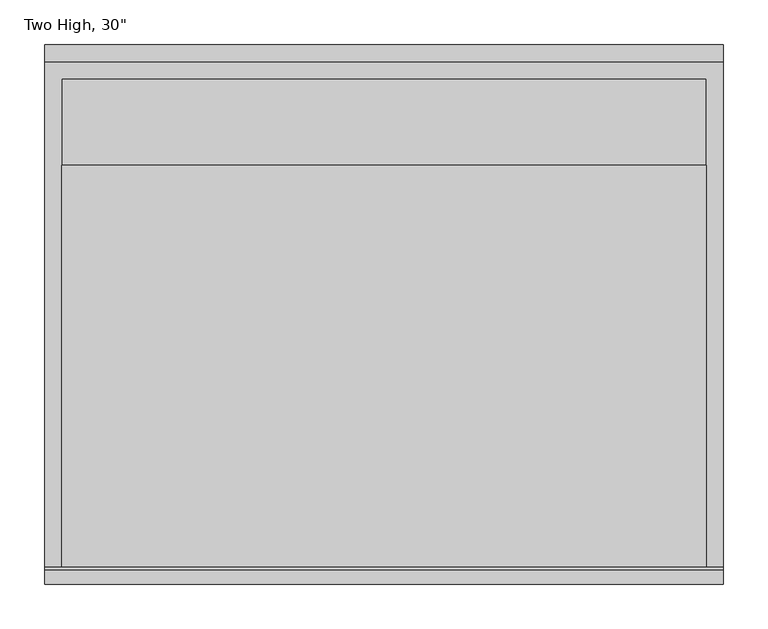
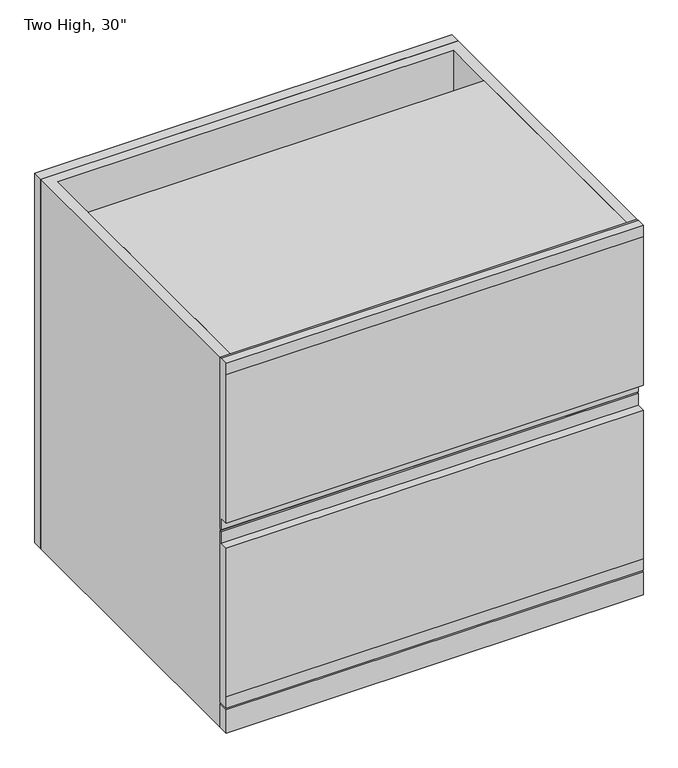
"""IFC4 building model written with IfcOpenShell, lengths in millimetres: furniture geometry."""

from ifc_helpers import new_model, si_unit, frame, origin, origin_with_axes, place, context, project, spatial, polyline, outline, extrude, source, transform, mapped, element, save


def furniture_a944151f(model_context):
    return source(origin(), model_context, "Body", "SweptSolid", [
        extrude(outline(polyline([(-669.925, 711.2), (-666.75, 711.2), (-666.75, 381.0), (-669.925, 381.0), (-669.925, 403.225), (-685.8, 403.225), (-685.8, 688.975), (-685.8, 711.2), (-669.925, 711.2)])), frame((-300.0375, 0.0, 0.0), z_axis=(1.0, 0.0, 0.0), x_axis=(0.0, 1.0, 0.0)), (0.0, 0.0, 1.0), 758.825),
        extrude(outline(polyline([(-669.925, 377.825), (-666.75, 377.825), (-666.75, 47.625), (-669.925, 47.625), (-685.8, 47.625), (-685.8, 69.85), (-685.8, 355.6), (-669.925, 355.6), (-669.925, 377.825)])), frame((-300.0375, 0.0, 0.0), z_axis=(1.0, 0.0, 0.0), x_axis=(0.0, 1.0, 0.0)), (0.0, 0.0, 1.0), 758.825),
        extrude(outline(polyline([(439.7375, -101.6), (439.7375, -666.75), (-280.9875, -666.75), (-280.9875, -101.6), (439.7375, -101.6)])), origin_with_axes(), (0.0, 0.0, 1.0), 44.45),
        extrude(outline(polyline([(439.7375, -217.4875), (439.7375, -666.75), (-280.9875, -666.75), (-280.9875, -217.4875), (439.7375, -217.4875)])), frame((0.0, 0.0, 369.8875), z_axis=(0.0, 0.0, 1.0), x_axis=(1.0, 0.0, 0.0)), (0.0, 0.0, 1.0), 19.05),
        extrude(outline(polyline([(458.7875, -666.75), (458.7875, -685.8), (-300.0375, -685.8), (-300.0375, -666.75), (458.7875, -666.75)])), origin_with_axes(), (0.0, 0.0, 1.0), 44.45),
        extrude(outline(polyline([(458.7875, -82.55), (458.7875, -101.6), (-300.0375, -101.6), (-300.0375, -82.55), (458.7875, -82.55)])), origin_with_axes(), (0.0, 0.0, 1.0), 711.2),
        extrude(outline(polyline([(439.7375, -217.4875), (439.7375, -666.75), (-280.9875, -666.75), (-280.9875, -217.4875), (439.7375, -217.4875)])), frame((0.0, 0.0, 692.15), z_axis=(0.0, 0.0, 1.0), x_axis=(1.0, 0.0, 0.0)), (0.0, 0.0, 1.0), 19.05),
        extrude(outline(polyline([(458.7875, -101.6), (458.7875, -666.75), (439.7375, -666.75), (439.7375, -120.65), (-280.9875, -120.65), (-280.9875, -666.75), (-300.0375, -666.75), (-300.0375, -101.6), (458.7875, -101.6)])), origin_with_axes(), (0.0, 0.0, 1.0), 711.2),
    ])


if __name__ == "__main__":
    model = new_model("IFC4")
    model_context = context("Model", 3, world=origin())
    ifc_project = project(units=[si_unit("LENGTHUNIT", "METRE", prefix="MILLI")], contexts=[model_context])
    site = spatial("IfcSite", under=ifc_project)
    building = spatial("IfcBuilding", under=site)
    placement = place(None, origin())
    furniture_shape = furniture_a944151f(model_context)
    element("IfcFurniture", 1, ObjectType="Two High, 30\"", at=placement, inside=building, context=model_context, shape_type="MappedRepresentation", body=[
        mapped(furniture_shape, transform((0.0, 0.0, 0.0), x_axis=(1.0, 0.0, 0.0), y_axis=(0.0, 1.0, 0.0), z_axis=(0.0, 0.0, 1.0))),
    ])
    save(model, "model.ifc")
